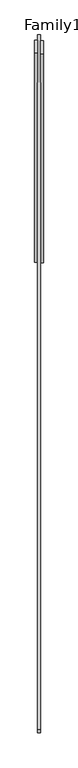
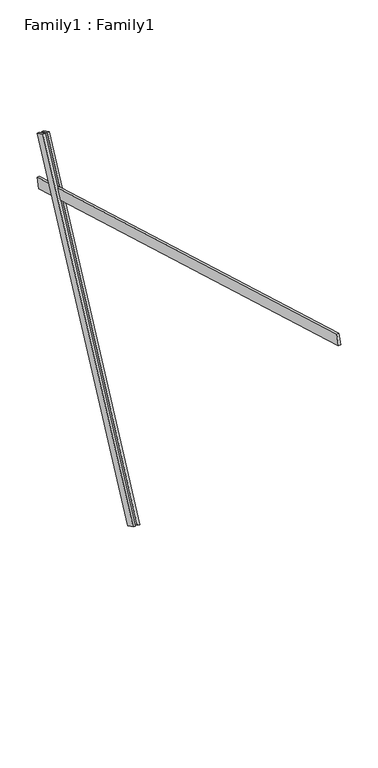
"""IFC4 building model written with IfcOpenShell, lengths in millimetres: proxy geometry, Family1 : Family1."""

from ifc_helpers import new_model, si_unit, frame, origin, place, context, project, spatial, polyline, outline, extrude, source, transform, mapped, element, save


def family1_family1_de90dac5(model_context):
    return source(origin(), model_context, "Body", "SweptSolid", [
        extrude(outline(polyline([(0.0, 0.0), (0.0, -20.0), (-100.0000001, -20.0), (-100.0000001, 0.0), (0.0, 0.0)])), frame((-30.0, 46.3241747, -22.5938096), z_axis=(0.0, 0.4383711467890692, 0.8987940462991711), x_axis=(0.0, 0.8987940462991711, -0.4383711467890692)), (0.0, 0.0, 1.0), 3300.0),
        extrude(outline(polyline([(0.0, 0.0), (0.0, -20.0), (-99.9999999, -20.0), (-99.9999999, 0.0), (0.0, 0.0)])), frame((10.0, 45.270232, -22.0797674), z_axis=(0.0, 0.4383711467890692, 0.8987940462991711), x_axis=(0.0, 0.8987940462991711, -0.4383711467890692)), (0.0, 0.0, 1.0), 3300.0),
        extrude(outline(polyline([(0.0, -20.0), (0.0, 0.0), (5000.0, 0.0), (5000.0, -20.0), (0.0, -20.0)])), frame((-10.0, -3302.6023916, 3763.5768847), z_axis=(0.0, 0.27563735581700144, 0.9612616959383183), x_axis=(0.0, 0.9612616959383183, -0.27563735581700144)), (0.0, 0.0, 1.0), 100.0),
    ])


if __name__ == "__main__":
    model = new_model("IFC4")
    model_context = context("Model", 3, world=origin())
    ifc_project = project(units=[si_unit("LENGTHUNIT", "METRE", prefix="MILLI")], contexts=[model_context])
    site = spatial("IfcSite", under=ifc_project)
    building = spatial("IfcBuilding", under=site)
    placement = place(None, origin())
    family1_family1_shape = family1_family1_de90dac5(model_context)
    element("IfcBuildingElementProxy", 1, Name="Family1 : Family1", ObjectType="Family1 : Family1", at=placement, inside=building, context=model_context, shape_type="MappedRepresentation", body=[
        mapped(family1_family1_shape, transform((0.0, 0.0, 0.0), x_axis=(1.0, 0.0, 0.0), y_axis=(0.0, 1.0, 0.0), z_axis=(0.0, 0.0, 1.0))),
    ])
    save(model, "model.ifc")
